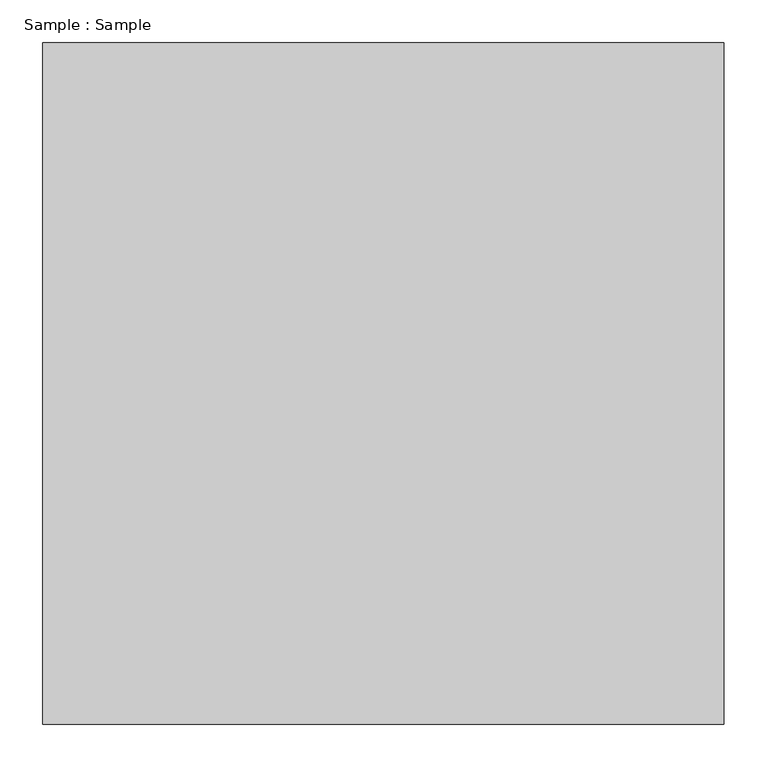
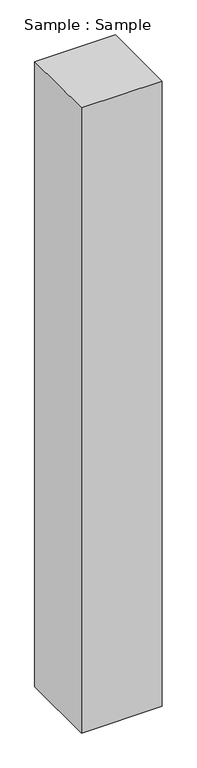
"""IFC4 building model written with IfcOpenShell, lengths in millimetres: proxy geometry, Sample : Sample."""

from ifc_helpers import new_model, si_unit, origin, origin_with_axes, place, context, project, spatial, polyline, outline, extrude, source, transform, mapped, element, save


def sample_sample_0ca78559(model_context):
    return source(origin(), model_context, "Body", "SweptSolid", [
        extrude(outline(polyline([(400.0, 400.0), (400.0, -400.0), (-400.0, -400.0), (-400.0, 400.0), (400.0, 400.0)])), origin_with_axes(), (0.0, 0.0, 1.0), 6551.7241379),
    ])


if __name__ == "__main__":
    model = new_model("IFC4")
    model_context = context("Model", 3, world=origin())
    ifc_project = project(units=[si_unit("LENGTHUNIT", "METRE", prefix="MILLI")], contexts=[model_context])
    site = spatial("IfcSite", under=ifc_project)
    building = spatial("IfcBuilding", under=site)
    placement = place(None, origin())
    sample_sample_shape = sample_sample_0ca78559(model_context)
    element("IfcBuildingElementProxy", 1, Name="Sample : Sample", ObjectType="Sample : Sample", at=placement, inside=building, context=model_context, shape_type="MappedRepresentation", body=[
        mapped(sample_sample_shape, transform((0.0, 0.0, 0.0), x_axis=(1.0, 0.0, 0.0), y_axis=(0.0, 1.0, 0.0), z_axis=(0.0, 0.0, 1.0))),
    ])
    save(model, "model.ifc")
